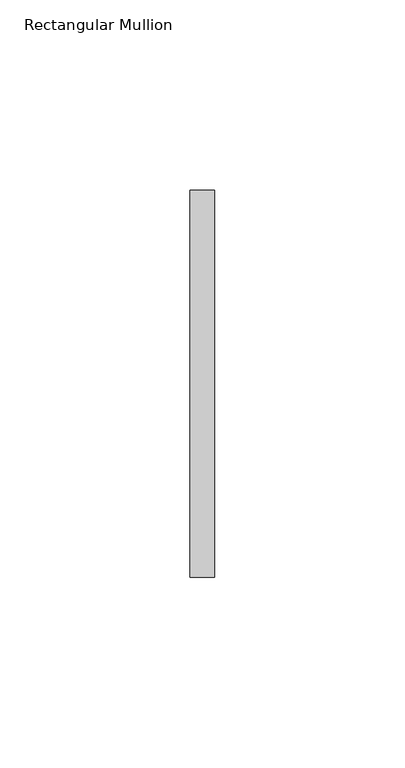
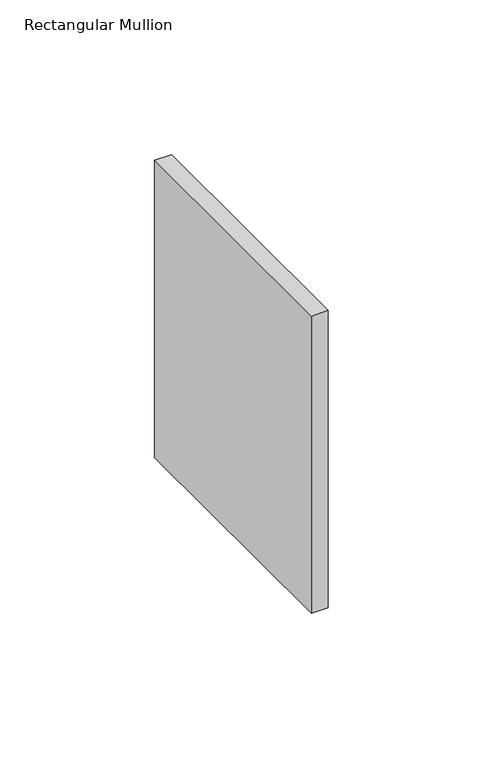
"""IFC4 building model written with IfcOpenShell, lengths in millimetres: member geometry, Rectangular Mullion."""

import ifcopenshell
import ifcopenshell.guid

model = None  # the IFC model being written
_history = None  # IfcOwnerHistory: only IFC2X3 demands one
_inside = {}  # id of a spatial element -> (the spatial element, [elements in it])
_under = {}  # id of a project, library or spatial element -> (it, [spatial elements below it])
_declared = {}  # id of a project -> (the project, [libraries it declares])
_typed = {}  # id of a type object -> (the type object, [elements of that type])
_made_of = {}  # id of a material, layer set ... -> (it, [elements and type objects made of it])


def new_model(schema):
    """Start an empty IFC model of exactly this schema.

    Asked for "IFC4X3", IfcOpenShell would pick the latest addendum, in which some entities
    have other attributes; the version numbers below select the first issue.
    IFC2X3 requires an IfcOwnerHistory on every rooted entity: one is made here for all.
    """
    global model, _history
    if schema == "IFC4X3":
        model = ifcopenshell.file(schema_version=(4, 3, 0, 0))
    else:
        model = ifcopenshell.file(schema=schema)
    _inside.clear()
    _under.clear()
    _declared.clear()
    _typed.clear()
    _made_of.clear()
    _history = None
    if model.schema == "IFC2X3":
        org = make("IfcOrganization", Name="unknown")
        user = make(
            "IfcPersonAndOrganization",
            ThePerson=make("IfcPerson", FamilyName="unknown"),
            TheOrganization=org,
        )
        app = make(
            "IfcApplication",
            ApplicationDeveloper=org,
            Version="unknown",
            ApplicationFullName="unknown",
            ApplicationIdentifier="unknown",
        )
        _history = make(
            "IfcOwnerHistory",
            OwningUser=user,
            OwningApplication=app,
            ChangeAction="ADDED",
            CreationDate=0,
        )
    return model


def make(cls, **values):
    """One entity of the class cls with the attributes given. An attribute that is None is left unset."""
    return model.create_entity(
        cls, **{name: value for name, value in values.items() if value is not None}
    )


def rooted(cls, **values):
    """An entity with a GlobalId (a new one), such as an element, a storey or a relation."""
    return make(cls, GlobalId=ifcopenshell.guid.new(), OwnerHistory=_history, **values)


def si_unit(unit_type, name, prefix=None):
    """IfcSIUnit, for example si_unit("LENGTHUNIT", "METRE", prefix="MILLI")."""
    return make("IfcSIUnit", UnitType=unit_type, Prefix=prefix, Name=name)


def assignment(units):
    """IfcUnitAssignment: the units of a project."""
    return None if units is None else make("IfcUnitAssignment", Units=units)


def point(xyz):
    """IfcCartesianPoint."""
    return None if xyz is None else make("IfcCartesianPoint", Coordinates=xyz)


def direction(xyz):
    """IfcDirection."""
    return None if xyz is None else make("IfcDirection", DirectionRatios=xyz)


def frame(location, z_axis=None, x_axis=None):
    """IfcAxis2Placement3D, a coordinate frame: its origin and axes. An axis left out is left unset."""
    return make(
        "IfcAxis2Placement3D",
        Location=point(location),
        Axis=direction(z_axis),
        RefDirection=direction(x_axis),
    )


def origin():
    """The frame at (0, 0, 0) with its axes left unset."""
    return frame((0.0, 0.0, 0.0))


def place(relative_to, where):
    """IfcLocalPlacement: puts the frame where relative to a parent placement (None: the world)."""
    return make(
        "IfcLocalPlacement", PlacementRelTo=relative_to, RelativePlacement=where
    )


def context(
    kind, dimensions, precision=None, world=None, true_north=None, identifier=None
):
    """IfcGeometricRepresentationContext, for example the 3D "Model" context."""
    return make(
        "IfcGeometricRepresentationContext",
        ContextIdentifier=identifier,
        ContextType=kind,
        CoordinateSpaceDimension=dimensions,
        Precision=precision,
        WorldCoordinateSystem=world,
        TrueNorth=true_north,
    )


def project(units=None, contexts=None):
    """IfcProject with its units and contexts."""
    return rooted(
        "IfcProject",
        Name="project",
        RepresentationContexts=contexts,
        UnitsInContext=assignment(units),
    )


def spatial(cls, under=None, at=None, **own):
    """A site, building, storey or space (cls), placed at a placement, below another one or the project."""
    s = rooted(cls, ObjectPlacement=at, **own)
    if under is not None:
        _under.setdefault(under.id(), (under, []))[1].append(s)
    return s


def polyline(points):
    """IfcPolyline through the points."""
    return make("IfcPolyline", Points=[point(p) for p in points])


def outline(outer, holes=None, kind="AREA"):
    """IfcArbitraryClosedProfileDef: a profile drawn as a closed curve; with holes, ...WithVoids."""
    if holes is None:
        return make("IfcArbitraryClosedProfileDef", ProfileType=kind, OuterCurve=outer)
    return make(
        "IfcArbitraryProfileDefWithVoids",
        ProfileType=kind,
        OuterCurve=outer,
        InnerCurves=holes,
    )


def extrude(swept, where, along, depth):
    """IfcExtrudedAreaSolid: the profile swept, set in the frame where, extruded along a direction by depth."""
    return make(
        "IfcExtrudedAreaSolid",
        SweptArea=swept,
        Position=where,
        ExtrudedDirection=direction(along),
        Depth=depth,
    )


def shape(context_of_items, identifier, shape_type, items):
    """IfcShapeRepresentation: the items that make up one representation, for example the "Body"."""
    return make(
        "IfcShapeRepresentation",
        ContextOfItems=context_of_items,
        RepresentationIdentifier=identifier,
        RepresentationType=shape_type,
        Items=items,
    )


def source(mapping_origin, context_of_items, identifier, shape_type, items):
    """IfcRepresentationMap: a shape defined once, which mapped items show again and again."""
    return make(
        "IfcRepresentationMap",
        MappingOrigin=mapping_origin,
        MappedRepresentation=shape(context_of_items, identifier, shape_type, items),
    )


def transform(
    local_origin,
    x_axis=None,
    y_axis=None,
    z_axis=None,
    scale=None,
    scale2=None,
    scale3=None,
    uniform=True,
):
    """IfcCartesianTransformationOperator3D, or its non-uniform kind. x_axis, y_axis, z_axis: its Axis1, 2, 3."""
    if uniform:
        return make(
            "IfcCartesianTransformationOperator3D",
            Axis1=direction(x_axis),
            Axis2=direction(y_axis),
            LocalOrigin=point(local_origin),
            Scale=scale,
            Axis3=direction(z_axis),
        )
    return make(
        "IfcCartesianTransformationOperator3DnonUniform",
        Axis1=direction(x_axis),
        Axis2=direction(y_axis),
        LocalOrigin=point(local_origin),
        Scale=scale,
        Axis3=direction(z_axis),
        Scale2=scale2,
        Scale3=scale3,
    )


def mapped(mapping_source, mapping_target):
    """IfcMappedItem: shows the shape of a source again, moved by a transform."""
    return make(
        "IfcMappedItem", MappingSource=mapping_source, MappingTarget=mapping_target
    )


def made_of(thing, what):
    """Note that an element or type object is made of a material, layer set ...; save() writes the relation."""
    if what is not None:
        _made_of.setdefault(what.id(), (what, []))[1].append(thing)
    return thing


def element(
    cls,
    number,
    at=None,
    inside=None,
    cuts=None,
    type_object=None,
    material=None,
    context=None,
    identifier="Body",
    shape_type=None,
    held_by="IfcProductDefinitionShape",
    body=None,
    shapes=None,
    **own,
):
    """One element of the class cls, such as IfcWall. Its Tag is "e" and its number.

    at: its placement. inside: the storey or other place that contains it. cuts: it is an
    opening in that element (IfcRelVoidsElement). A single representation is given by context,
    identifier, shape_type and body (its items); several are given by shapes. held_by: the class
    of the entity that holds the representations. save() writes the other relations.
    """
    e = rooted(cls, Tag="e%d" % number, ObjectPlacement=at, **own)
    if body is not None:
        shapes = [shape(context, identifier, shape_type, body)]
    if shapes is not None:
        e.Representation = make(held_by, Representations=shapes)
    if inside is not None:
        _inside.setdefault(inside.id(), (inside, []))[1].append(e)
    if cuts is not None:
        rooted(
            "IfcRelVoidsElement", RelatingBuildingElement=cuts, RelatedOpeningElement=e
        )
    if type_object is not None:
        _typed.setdefault(type_object.id(), (type_object, []))[1].append(e)
    return made_of(e, material)


def aggregate(whole, parts):
    """IfcRelAggregates: a whole, such as a stair, and the parts it consists of."""
    return rooted("IfcRelAggregates", RelatingObject=whole, RelatedObjects=parts)


def save(model, path):
    """Write the relations noted so far, then the file.

    IfcRelAggregates (storeys below a building ...), IfcRelContainedInSpatialStructure (elements
    in a storey), IfcRelDefinesByType, IfcRelAssociatesMaterial and IfcRelDeclares: one each for
    every whole, place, type object, material and project.
    """
    for whole, parts in _under.values():
        aggregate(whole, parts)
    for where, things in _inside.values():
        rooted(
            "IfcRelContainedInSpatialStructure",
            RelatedElements=things,
            RelatingStructure=where,
        )
    for kind, things in _typed.values():
        rooted("IfcRelDefinesByType", RelatedObjects=things, RelatingType=kind)
    for what, things in _made_of.values():
        rooted("IfcRelAssociatesMaterial", RelatedObjects=things, RelatingMaterial=what)
    for by, libraries in _declared.values():
        rooted("IfcRelDeclares", RelatingContext=by, RelatedDefinitions=libraries)
    model.write(path)


def rectangular_mullion_f1ad7068(model_context):
    return source(origin(), model_context, "Body", "SweptSolid", [
        extrude(outline(polyline([(0.0, 50.8), (0.0, -50.8), (-6.35, -50.8), (-6.35, 50.8), (0.0, 50.8)])), frame((0.0, 0.0, -117.4750003), z_axis=(0.0, 0.0, 1.0), x_axis=(1.0, 0.0, 0.0)), (0.0, 0.0, 1.0), 117.4750003),
    ])


if __name__ == "__main__":
    model = new_model("IFC4")
    model_context = context("Model", 3, world=origin())
    ifc_project = project(units=[si_unit("LENGTHUNIT", "METRE", prefix="MILLI")], contexts=[model_context])
    site = spatial("IfcSite", under=ifc_project)
    building = spatial("IfcBuilding", under=site)
    placement = place(None, origin())
    rectangular_mullion_shape = rectangular_mullion_f1ad7068(model_context)
    element("IfcMember", 1, ObjectType="Rectangular Mullion", at=placement, inside=building, context=model_context, shape_type="MappedRepresentation", body=[
        mapped(rectangular_mullion_shape, transform((0.0, 0.0, 0.0), x_axis=(1.0, 0.0, 0.0), y_axis=(0.0, 1.0, 0.0), z_axis=(0.0, 0.0, 1.0))),
    ])
    save(model, "model.ifc")
